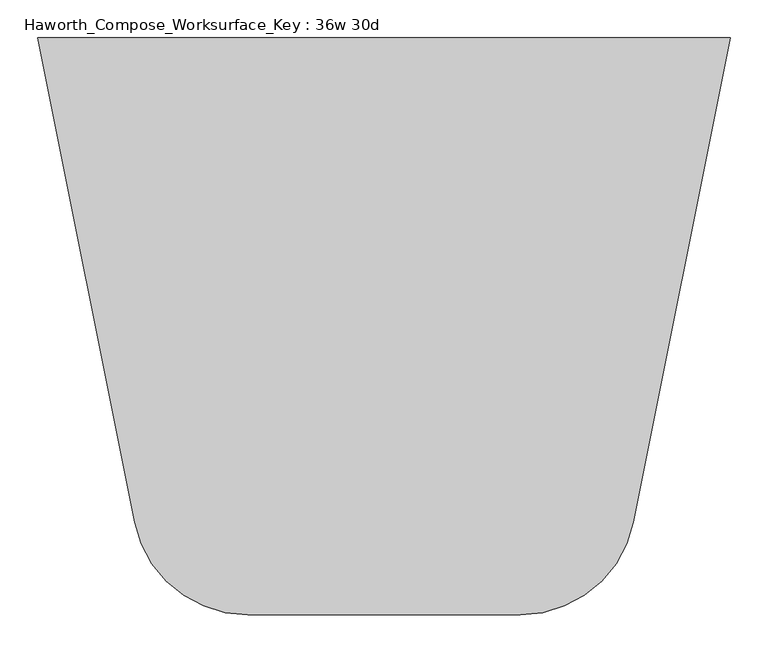
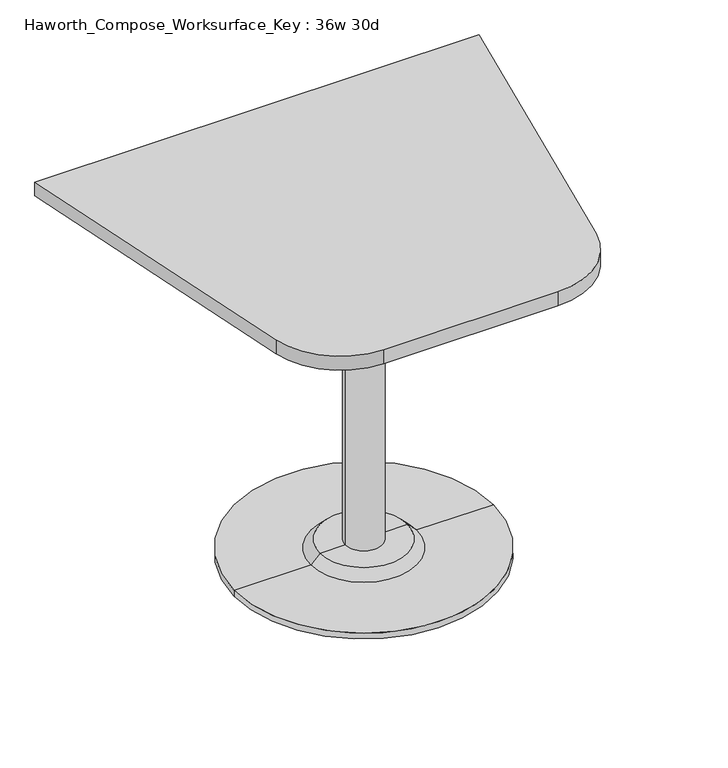
"""IFC4 building model written with IfcOpenShell, lengths in millimetres: furniture geometry, Haworth_Compose_Worksurface_Key : 36w 30d."""

from ifc_helpers import new_model, si_unit, point, frame, frame_2d, origin, place, context, project, spatial, polyline, circle_curve, trimmed, segment, composite_curve, outline, extrude, source, transform, mapped, element, save
from ifc_brep_helpers import plane_surface, cylinder_surface, revolved_surface, advanced_brep


def haworth_compose_worksurface_key_36w_30d_6e885d31(model_context):
    return source(origin(), model_context, "Body", "SolidModel", [
        advanced_brep(
        [(38.1, 139.7, 706.4375), (-38.1, 139.7, 706.4375), (0.0, 139.7, 706.4375), (38.1, 139.7, 31.75), (-38.1, 139.7, 31.75), (89.723978, 139.7, 31.75), (-89.723978, 139.7, 31.75), (266.7, 139.7, 0.0), (-266.7, 139.7, 0.0), (-266.7, 139.7, 12.7), (266.7, 139.7, 12.7), (0.0, 139.7, 0.0), (108.773978, 139.7, 12.7), (-108.773978, 139.7, 12.7)],
        [
            (0, 1, circle_curve(frame((0.0, 139.7, 706.4375), z_axis=(0.0, 0.0, 1.0), x_axis=(-1.0, 0.0, 0.0)), 38.1)),
            (1, 2),
            (2, 0),
            (1, 0, circle_curve(frame((0.0, 139.7, 706.4375), z_axis=(0.0, 0.0, 1.0), x_axis=(-1.0, 0.0, 0.0)), 38.1)),
            (3, 4, circle_curve(frame((0.0, 139.7, 31.75), z_axis=(0.0, 0.0, 1.0), x_axis=(-1.0, 0.0, 0.0)), 38.1)),
            (4, 1),
            (0, 3),
            (4, 3, circle_curve(frame((0.0, 139.7, 31.75), z_axis=(0.0, 0.0, 1.0), x_axis=(-1.0, 0.0, 0.0)), 38.1)),
            (5, 6, circle_curve(frame((0.0, 139.7, 31.75), z_axis=(0.0, 0.0, 1.0), x_axis=(-1.0, 0.0, 0.0)), 89.723978)),
            (6, 4),
            (3, 5),
            (6, 5, circle_curve(frame((0.0, 139.7, 31.75), z_axis=(0.0, 0.0, 1.0), x_axis=(-1.0, 0.0, 0.0)), 89.723978)),
            (7, 8, circle_curve(frame((0.0, 139.7, 0.0), z_axis=(0.0, 0.0, 1.0), x_axis=(-1.0, 0.0, 0.0)), 266.7)),
            (8, 9),
            (9, 10, circle_curve(frame((0.0, 139.7, 12.7), z_axis=(0.0, 0.0, -1.0), x_axis=(-1.0, 0.0, 0.0)), 266.7)),
            (10, 7),
            (8, 7, circle_curve(frame((0.0, 139.7, 0.0), z_axis=(0.0, 0.0, 1.0), x_axis=(-1.0, 0.0, 0.0)), 266.7)),
            (10, 9, circle_curve(frame((0.0, 139.7, 12.7), z_axis=(0.0, 0.0, -1.0), x_axis=(-1.0, 0.0, 0.0)), 266.7)),
            (11, 8),
            (7, 11),
            (12, 13, circle_curve(frame((0.0, 139.7, 12.7), z_axis=(0.0, 0.0, 1.0), x_axis=(-1.0, 0.0, 0.0)), 108.773978)),
            (13, 6),
            (5, 12),
            (13, 12, circle_curve(frame((0.0, 139.7, 12.7), z_axis=(0.0, 0.0, 1.0), x_axis=(-1.0, 0.0, 0.0)), 108.773978)),
            (9, 13),
            (12, 10),
        ],
        [
            plane_surface(frame((0.0, 139.7, 706.4375), z_axis=(0.0, 0.0, 1.0), x_axis=(-1.0, 0.0, 0.0))),
            cylinder_surface(frame((0.0, 139.7, 889.623257), z_axis=(0.0, 0.0, -1.0), x_axis=(-1.0, 0.0, 0.0)), 38.1),
            plane_surface(frame((0.0, 139.7, 31.75), z_axis=(0.0, 0.0, 1.0), x_axis=(-1.0, 0.0, 0.0))),
            cylinder_surface(frame((0.0, 139.7, 889.623257), z_axis=(0.0, 0.0, -1.0), x_axis=(-1.0, 0.0, 0.0)), 266.7),
            plane_surface(frame((0.0, 139.7, 0.0), z_axis=(0.0, 0.0, -1.0), x_axis=(-1.0, 0.0, 0.0))),
            revolved_surface(polyline([(-89.723978, 139.7, 31.75), (-108.773978, 139.7, 12.7)]), (0.0, 139.7, 889.623257), (0.0, 0.0, -1.0)),
            plane_surface(frame((0.0, 139.7, 12.7), z_axis=(0.0, 0.0, 1.0), x_axis=(-1.0, 0.0, 0.0))),
        ],
        [
            (0, [[1, 2, 3]]),
            (0, [[4, -3, -2]]),
            (1, [[5, 6, -1, 7]]),
            (1, [[8, -7, -4, -6]]),
            (2, [[9, 10, -5, 11]]),
            (2, [[12, -11, -8, -10]]),
            (3, [[13, 14, 15, 16]]),
            (3, [[17, -16, 18, -14]]),
            (4, [[19, -13, 20]]),
            (4, [[-20, -17, -19]]),
            (5, [[21, 22, -9, 23]]),
            (5, [[24, -23, -12, -22]]),
            (6, [[-15, 25, -21, 26]]),
            (6, [[-18, -26, -24, -25]]),
        ],
    ),
        extrude(outline(composite_curve([segment(polyline([(457.2, 520.7), (329.3023802, -118.788099)]), True, "CONTINUOUS"), segment(trimmed(circle_curve(frame_2d((179.8618852, -88.9)), 152.4), [point((329.3023802, -118.788099))], [point((179.8618852, -241.3))], False, "CARTESIAN"), True, "CONTINUOUS"), segment(polyline([(179.8618852, -241.3), (-179.8618852, -241.3)]), True, "CONTINUOUS"), segment(trimmed(circle_curve(frame_2d((-179.8618852, -88.9)), 152.4), [point((-179.8618852, -241.3))], [point((-329.3023802, -118.788099))], False, "CARTESIAN"), True, "CONTINUOUS"), segment(polyline([(-329.3023802, -118.788099), (-457.2, 520.7), (457.2, 520.7)]), True, "CONTINUOUS")], self_intersect=False)), frame((0.0, 0.0, 706.4375), z_axis=(0.0, 0.0, 1.0), x_axis=(1.0, 0.0, 0.0)), (0.0, 0.0, 1.0), 30.1625),
    ])


if __name__ == "__main__":
    model = new_model("IFC4")
    model_context = context("Model", 3, world=origin())
    ifc_project = project(units=[si_unit("LENGTHUNIT", "METRE", prefix="MILLI")], contexts=[model_context])
    site = spatial("IfcSite", under=ifc_project)
    building = spatial("IfcBuilding", under=site)
    placement = place(None, origin())
    haworth_compose_worksurface_key_36w_30d_shape = haworth_compose_worksurface_key_36w_30d_6e885d31(model_context)
    element("IfcFurniture", 1, ObjectType="Haworth_Compose_Worksurface_Key : 36w 30d", at=placement, inside=building, context=model_context, shape_type="MappedRepresentation", body=[
        mapped(haworth_compose_worksurface_key_36w_30d_shape, transform((0.0, 0.0, 0.0), x_axis=(1.0, 0.0, 0.0), y_axis=(0.0, 1.0, 0.0), z_axis=(0.0, 0.0, 1.0))),
    ])
    save(model, "model.ifc")
